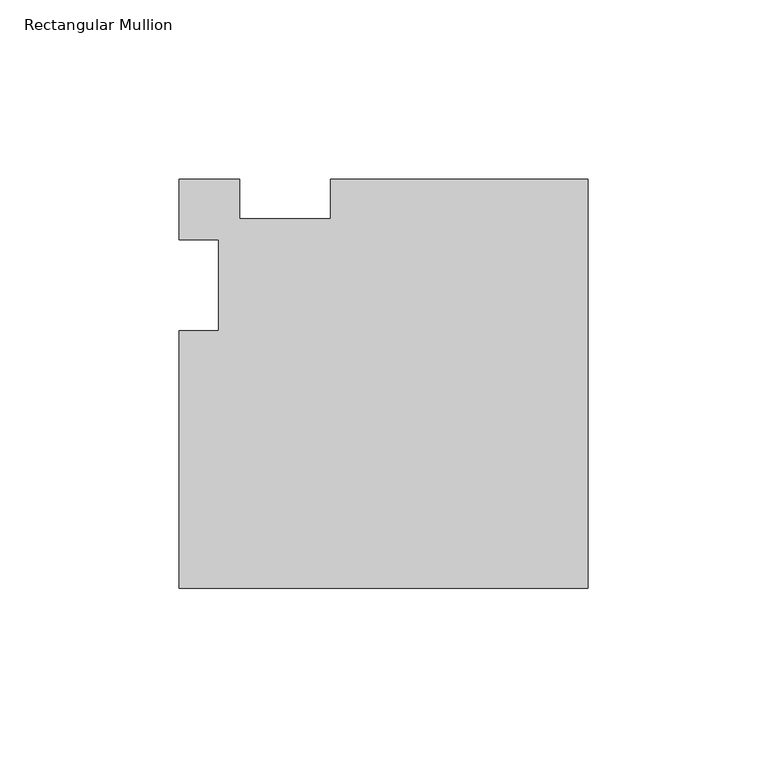
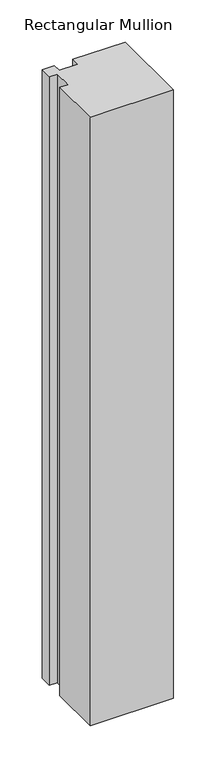
"""IFC4 building model written with IfcOpenShell, lengths in millimetres: member geometry, Rectangular Mullion."""

import ifcopenshell
import ifcopenshell.guid

model = None  # the IFC model being written
_history = None  # IfcOwnerHistory: only IFC2X3 demands one
_inside = {}  # id of a spatial element -> (the spatial element, [elements in it])
_under = {}  # id of a project, library or spatial element -> (it, [spatial elements below it])
_declared = {}  # id of a project -> (the project, [libraries it declares])
_typed = {}  # id of a type object -> (the type object, [elements of that type])
_made_of = {}  # id of a material, layer set ... -> (it, [elements and type objects made of it])


def new_model(schema):
    """Start an empty IFC model of exactly this schema.

    Asked for "IFC4X3", IfcOpenShell would pick the latest addendum, in which some entities
    have other attributes; the version numbers below select the first issue.
    IFC2X3 requires an IfcOwnerHistory on every rooted entity: one is made here for all.
    """
    global model, _history
    if schema == "IFC4X3":
        model = ifcopenshell.file(schema_version=(4, 3, 0, 0))
    else:
        model = ifcopenshell.file(schema=schema)
    _inside.clear()
    _under.clear()
    _declared.clear()
    _typed.clear()
    _made_of.clear()
    _history = None
    if model.schema == "IFC2X3":
        org = make("IfcOrganization", Name="unknown")
        user = make(
            "IfcPersonAndOrganization",
            ThePerson=make("IfcPerson", FamilyName="unknown"),
            TheOrganization=org,
        )
        app = make(
            "IfcApplication",
            ApplicationDeveloper=org,
            Version="unknown",
            ApplicationFullName="unknown",
            ApplicationIdentifier="unknown",
        )
        _history = make(
            "IfcOwnerHistory",
            OwningUser=user,
            OwningApplication=app,
            ChangeAction="ADDED",
            CreationDate=0,
        )
    return model


def make(cls, **values):
    """One entity of the class cls with the attributes given. An attribute that is None is left unset."""
    return model.create_entity(
        cls, **{name: value for name, value in values.items() if value is not None}
    )


def rooted(cls, **values):
    """An entity with a GlobalId (a new one), such as an element, a storey or a relation."""
    return make(cls, GlobalId=ifcopenshell.guid.new(), OwnerHistory=_history, **values)


def si_unit(unit_type, name, prefix=None):
    """IfcSIUnit, for example si_unit("LENGTHUNIT", "METRE", prefix="MILLI")."""
    return make("IfcSIUnit", UnitType=unit_type, Prefix=prefix, Name=name)


def assignment(units):
    """IfcUnitAssignment: the units of a project."""
    return None if units is None else make("IfcUnitAssignment", Units=units)


def point(xyz):
    """IfcCartesianPoint."""
    return None if xyz is None else make("IfcCartesianPoint", Coordinates=xyz)


def direction(xyz):
    """IfcDirection."""
    return None if xyz is None else make("IfcDirection", DirectionRatios=xyz)


def frame(location, z_axis=None, x_axis=None):
    """IfcAxis2Placement3D, a coordinate frame: its origin and axes. An axis left out is left unset."""
    return make(
        "IfcAxis2Placement3D",
        Location=point(location),
        Axis=direction(z_axis),
        RefDirection=direction(x_axis),
    )


def origin():
    """The frame at (0, 0, 0) with its axes left unset."""
    return frame((0.0, 0.0, 0.0))


def place(relative_to, where):
    """IfcLocalPlacement: puts the frame where relative to a parent placement (None: the world)."""
    return make(
        "IfcLocalPlacement", PlacementRelTo=relative_to, RelativePlacement=where
    )


def context(
    kind, dimensions, precision=None, world=None, true_north=None, identifier=None
):
    """IfcGeometricRepresentationContext, for example the 3D "Model" context."""
    return make(
        "IfcGeometricRepresentationContext",
        ContextIdentifier=identifier,
        ContextType=kind,
        CoordinateSpaceDimension=dimensions,
        Precision=precision,
        WorldCoordinateSystem=world,
        TrueNorth=true_north,
    )


def project(units=None, contexts=None):
    """IfcProject with its units and contexts."""
    return rooted(
        "IfcProject",
        Name="project",
        RepresentationContexts=contexts,
        UnitsInContext=assignment(units),
    )


def spatial(cls, under=None, at=None, **own):
    """A site, building, storey or space (cls), placed at a placement, below another one or the project."""
    s = rooted(cls, ObjectPlacement=at, **own)
    if under is not None:
        _under.setdefault(under.id(), (under, []))[1].append(s)
    return s


def polyline(points):
    """IfcPolyline through the points."""
    return make("IfcPolyline", Points=[point(p) for p in points])


def outline(outer, holes=None, kind="AREA"):
    """IfcArbitraryClosedProfileDef: a profile drawn as a closed curve; with holes, ...WithVoids."""
    if holes is None:
        return make("IfcArbitraryClosedProfileDef", ProfileType=kind, OuterCurve=outer)
    return make(
        "IfcArbitraryProfileDefWithVoids",
        ProfileType=kind,
        OuterCurve=outer,
        InnerCurves=holes,
    )


def extrude(swept, where, along, depth):
    """IfcExtrudedAreaSolid: the profile swept, set in the frame where, extruded along a direction by depth."""
    return make(
        "IfcExtrudedAreaSolid",
        SweptArea=swept,
        Position=where,
        ExtrudedDirection=direction(along),
        Depth=depth,
    )


def shape(context_of_items, identifier, shape_type, items):
    """IfcShapeRepresentation: the items that make up one representation, for example the "Body"."""
    return make(
        "IfcShapeRepresentation",
        ContextOfItems=context_of_items,
        RepresentationIdentifier=identifier,
        RepresentationType=shape_type,
        Items=items,
    )


def source(mapping_origin, context_of_items, identifier, shape_type, items):
    """IfcRepresentationMap: a shape defined once, which mapped items show again and again."""
    return make(
        "IfcRepresentationMap",
        MappingOrigin=mapping_origin,
        MappedRepresentation=shape(context_of_items, identifier, shape_type, items),
    )


def transform(
    local_origin,
    x_axis=None,
    y_axis=None,
    z_axis=None,
    scale=None,
    scale2=None,
    scale3=None,
    uniform=True,
):
    """IfcCartesianTransformationOperator3D, or its non-uniform kind. x_axis, y_axis, z_axis: its Axis1, 2, 3."""
    if uniform:
        return make(
            "IfcCartesianTransformationOperator3D",
            Axis1=direction(x_axis),
            Axis2=direction(y_axis),
            LocalOrigin=point(local_origin),
            Scale=scale,
            Axis3=direction(z_axis),
        )
    return make(
        "IfcCartesianTransformationOperator3DnonUniform",
        Axis1=direction(x_axis),
        Axis2=direction(y_axis),
        LocalOrigin=point(local_origin),
        Scale=scale,
        Axis3=direction(z_axis),
        Scale2=scale2,
        Scale3=scale3,
    )


def mapped(mapping_source, mapping_target):
    """IfcMappedItem: shows the shape of a source again, moved by a transform."""
    return make(
        "IfcMappedItem", MappingSource=mapping_source, MappingTarget=mapping_target
    )


def made_of(thing, what):
    """Note that an element or type object is made of a material, layer set ...; save() writes the relation."""
    if what is not None:
        _made_of.setdefault(what.id(), (what, []))[1].append(thing)
    return thing


def element(
    cls,
    number,
    at=None,
    inside=None,
    cuts=None,
    type_object=None,
    material=None,
    context=None,
    identifier="Body",
    shape_type=None,
    held_by="IfcProductDefinitionShape",
    body=None,
    shapes=None,
    **own,
):
    """One element of the class cls, such as IfcWall. Its Tag is "e" and its number.

    at: its placement. inside: the storey or other place that contains it. cuts: it is an
    opening in that element (IfcRelVoidsElement). A single representation is given by context,
    identifier, shape_type and body (its items); several are given by shapes. held_by: the class
    of the entity that holds the representations. save() writes the other relations.
    """
    e = rooted(cls, Tag="e%d" % number, ObjectPlacement=at, **own)
    if body is not None:
        shapes = [shape(context, identifier, shape_type, body)]
    if shapes is not None:
        e.Representation = make(held_by, Representations=shapes)
    if inside is not None:
        _inside.setdefault(inside.id(), (inside, []))[1].append(e)
    if cuts is not None:
        rooted(
            "IfcRelVoidsElement", RelatingBuildingElement=cuts, RelatedOpeningElement=e
        )
    if type_object is not None:
        _typed.setdefault(type_object.id(), (type_object, []))[1].append(e)
    return made_of(e, material)


def aggregate(whole, parts):
    """IfcRelAggregates: a whole, such as a stair, and the parts it consists of."""
    return rooted("IfcRelAggregates", RelatingObject=whole, RelatedObjects=parts)


def save(model, path):
    """Write the relations noted so far, then the file.

    IfcRelAggregates (storeys below a building ...), IfcRelContainedInSpatialStructure (elements
    in a storey), IfcRelDefinesByType, IfcRelAssociatesMaterial and IfcRelDeclares: one each for
    every whole, place, type object, material and project.
    """
    for whole, parts in _under.values():
        aggregate(whole, parts)
    for where, things in _inside.values():
        rooted(
            "IfcRelContainedInSpatialStructure",
            RelatedElements=things,
            RelatingStructure=where,
        )
    for kind, things in _typed.values():
        rooted("IfcRelDefinesByType", RelatedObjects=things, RelatingType=kind)
    for what, things in _made_of.values():
        rooted("IfcRelAssociatesMaterial", RelatedObjects=things, RelatingMaterial=what)
    for by, libraries in _declared.values():
        rooted("IfcRelDeclares", RelatingContext=by, RelatedDefinitions=libraries)
    model.write(path)


def rectangular_mullion_00c7dbe8(model_context):
    return source(origin(), model_context, "Body", "SweptSolid", [
        extrude(outline(polyline([(-114.3, -84.6545868), (-114.3, -12.7181735), (-103.1875, -12.7181735), (-103.1875, 12.7), (-114.3, 12.7), (-114.3, 29.6454132), (-97.3545868, 29.6454132), (-97.3545868, 18.5329132), (-71.9364132, 18.5329132), (-71.9364132, 29.6454132), (0.0, 29.6454132), (0.0, -84.6545868), (-114.3, -84.6545868)])), frame((0.0, 0.0, -882.65), z_axis=(0.0, 0.0, 1.0), x_axis=(1.0, 0.0, 0.0)), (0.0, 0.0, 1.0), 882.65),
    ])


if __name__ == "__main__":
    model = new_model("IFC4")
    model_context = context("Model", 3, world=origin())
    ifc_project = project(units=[si_unit("LENGTHUNIT", "METRE", prefix="MILLI")], contexts=[model_context])
    site = spatial("IfcSite", under=ifc_project)
    building = spatial("IfcBuilding", under=site)
    placement = place(None, origin())
    rectangular_mullion_shape = rectangular_mullion_00c7dbe8(model_context)
    element("IfcMember", 1, ObjectType="Rectangular Mullion", at=placement, inside=building, context=model_context, shape_type="MappedRepresentation", body=[
        mapped(rectangular_mullion_shape, transform((0.0, 0.0, 0.0), x_axis=(1.0, 0.0, 0.0), y_axis=(0.0, 1.0, 0.0), z_axis=(0.0, 0.0, 1.0))),
    ])
    save(model, "model.ifc")
